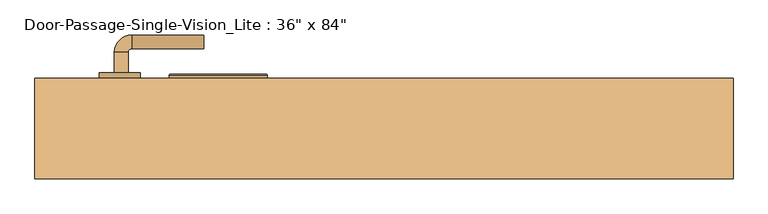
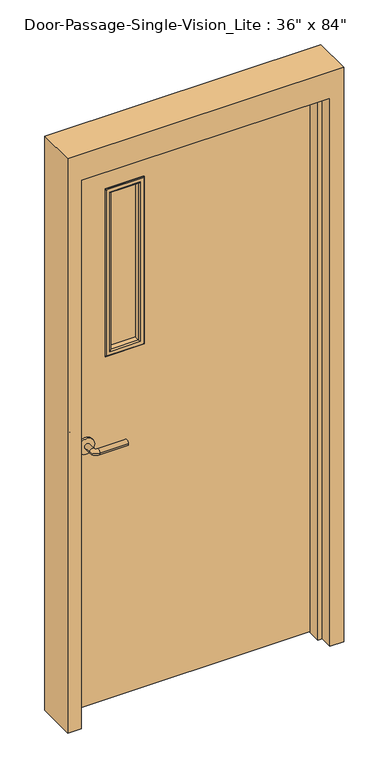
"""IFC4 building model written with IfcOpenShell, lengths in millimetres: door geometry."""

from ifc_helpers import new_model, si_unit, point, frame, frame_2d, origin, place, context, project, spatial, polyline, circle_curve, ellipse_curve, trimmed, segment, composite_curve, outline, extrude, faceted_brep, source, transform, mapped, element, save
from ifc_brep_helpers import plane_surface, cylinder_surface, revolved_surface, advanced_brep


def door_78cb0c65(model_context):
    return source(origin(), model_context, "Body", "SolidModel", [
        advanced_brep(
        [(-392.190625, 25.3375, 1016.0), (-372.190625, 25.3375, 1016.0), (-372.190625, -4.6625, 1016.0), (-392.190625, -4.6625, 1016.0), (-367.190625, -9.6625, 1016.0), (-367.190625, -29.6625, 1016.0), (-262.190625, -29.6625, 1016.0), (-262.190625, -9.6625, 1016.0)],
        [
            (0, 1, circle_curve(frame((-382.190625, 25.3375, 1016.0), z_axis=(0.0, 1.0, 0.0), x_axis=(1.0, 0.0, 0.0)), 10.0)),
            (1, 0, circle_curve(frame((-382.190625, 25.3375, 1016.0), z_axis=(0.0, 1.0, 0.0), x_axis=(1.0, 0.0, 0.0)), 10.0)),
            (1, 2),
            (2, 3, circle_curve(frame((-382.190625, -4.6625, 1016.0), z_axis=(0.0, 1.0, 0.0), x_axis=(1.0, 0.0, 0.0)), 10.0)),
            (3, 0),
            (3, 2, circle_curve(frame((-382.190625, -4.6625, 1016.0), z_axis=(0.0, 1.0, 0.0), x_axis=(1.0, 0.0, 0.0)), 10.0)),
            (4, 5, circle_curve(frame((-367.190625, -19.6625, 1016.0), z_axis=(-1.0, 0.0, 0.0), x_axis=(0.0, 1.0, 0.0)), 10.0)),
            (5, 3, circle_curve(frame((-367.190625, -4.6625, 1016.0), z_axis=(0.0, 0.0, -1.0), x_axis=(-1.0, 0.0, 0.0)), 25.0)),
            (2, 4, circle_curve(frame((-367.190625, -4.6625, 1016.0), z_axis=(0.0, 0.0, 1.0), x_axis=(-1.0, 0.0, 0.0)), 5.0)),
            (5, 4, circle_curve(frame((-367.190625, -19.6625, 1016.0), z_axis=(-1.0, 0.0, 0.0), x_axis=(0.0, 1.0, 0.0)), 10.0)),
            (6, 7, circle_curve(frame((-262.190625, -19.6625, 1016.0), z_axis=(1.0, 0.0, 0.0), x_axis=(0.0, 1.0, 0.0)), 10.0)),
            (7, 6, circle_curve(frame((-262.190625, -19.6625, 1016.0), z_axis=(1.0, 0.0, 0.0), x_axis=(0.0, 1.0, 0.0)), 10.0)),
            (4, 7),
            (6, 5),
        ],
        [
            plane_surface(frame((-382.190625, 25.3375, 1016.0), z_axis=(0.0, 1.0, 0.0), x_axis=(0.0, 0.0, 1.0))),
            cylinder_surface(frame((-382.190625, 25.3375, 1016.0), z_axis=(0.0, 1.0, 0.0), x_axis=(1.0, 0.0, 0.0)), 10.0),
            revolved_surface(trimmed(ellipse_curve(frame((-382.190625, -4.6625, 1016.0), z_axis=(0.0, -1.0, 0.0), x_axis=(1.0, 0.0, 0.0)), 10.0, 10.0), [point((-392.190625, -4.6625, 1016.0))], [point((-372.190625, -4.6625, 1016.0))], True, "CARTESIAN"), (-367.190625, -4.6625, 1016.0), (0.0, 0.0, -1.0)),
            revolved_surface(trimmed(ellipse_curve(frame((-382.190625, -4.6625, 1016.0), z_axis=(0.0, -1.0, 0.0), x_axis=(1.0, 0.0, 0.0)), 10.0, 10.0), [point((-372.190625, -4.6625, 1016.0))], [point((-392.190625, -4.6625, 1016.0))], True, "CARTESIAN"), (-367.190625, -4.6625, 1016.0), (0.0, 0.0, -1.0)),
            plane_surface(frame((-262.190625, -19.6625, 1016.0), z_axis=(1.0, 0.0, 0.0), x_axis=(0.0, 0.0, 1.0))),
            cylinder_surface(frame((-367.190625, -19.6625, 1016.0), z_axis=(-1.0, 0.0, 0.0), x_axis=(0.0, 1.0, 0.0)), 10.0),
        ],
        [
            (0, [[1, 2]]),
            (1, [[3, 4, 5, -2]]),
            (1, [[-5, 6, -3, -1]]),
            (2, [[7, 8, -4, 9]]),
            (3, [[10, -9, -6, -8]]),
            (4, [[11, 12]]),
            (5, [[13, -11, 14, -7]]),
            (5, [[-14, -12, -13, -10]]),
        ],
    ),
        extrude(outline(composite_curve([segment(trimmed(circle_curve(frame_2d((1016.0, -384.690625)), 30.0), [point((1016.0, -414.690625))], [point((1016.0, -354.690625))], False, "CARTESIAN"), True, "CONTINUOUS"), segment(trimmed(circle_curve(frame_2d((1016.0, -384.690625)), 30.0), [point((1016.0, -354.690625))], [point((1016.0, -414.690625))], False, "CARTESIAN"), True, "CONTINUOUS")], self_intersect=False)), frame((0.0, 25.3375, 0.0), z_axis=(0.0, 1.0, 0.0), x_axis=(0.0, 0.0, 1.0)), (0.0, 0.0, 1.0), 8.0),
        advanced_brep(
        [(-392.190625, 85.7875, 1016.0), (-372.190625, 85.7875, 1016.0), (-392.190625, 115.7875, 1016.0), (-372.190625, 115.7875, 1016.0), (-367.190625, 120.7875, 1016.0), (-367.190625, 140.7875, 1016.0), (-262.190625, 140.7875, 1016.0), (-262.190625, 120.7875, 1016.0)],
        [
            (0, 1, circle_curve(frame((-382.190625, 85.7875, 1016.0), z_axis=(0.0, -1.0, 0.0), x_axis=(1.0, 0.0, 0.0)), 10.0)),
            (1, 0, circle_curve(frame((-382.190625, 85.7875, 1016.0), z_axis=(0.0, -1.0, 0.0), x_axis=(1.0, 0.0, 0.0)), 10.0)),
            (0, 2),
            (2, 3, circle_curve(frame((-382.190625, 115.7875, 1016.0), z_axis=(0.0, -1.0, 0.0), x_axis=(1.0, 0.0, 0.0)), 10.0)),
            (3, 1),
            (3, 2, circle_curve(frame((-382.190625, 115.7875, 1016.0), z_axis=(0.0, -1.0, 0.0), x_axis=(1.0, 0.0, 0.0)), 10.0)),
            (4, 3, circle_curve(frame((-367.190625, 115.7875, 1016.0), z_axis=(0.0, 0.0, 1.0), x_axis=(-1.0, 0.0, 0.0)), 5.0)),
            (2, 5, circle_curve(frame((-367.190625, 115.7875, 1016.0), z_axis=(0.0, 0.0, -1.0), x_axis=(-1.0, 0.0, 0.0)), 25.0)),
            (5, 4, circle_curve(frame((-367.190625, 130.7875, 1016.0), z_axis=(-1.0, 0.0, 0.0), x_axis=(0.0, -1.0, 0.0)), 10.0)),
            (4, 5, circle_curve(frame((-367.190625, 130.7875, 1016.0), z_axis=(-1.0, 0.0, 0.0), x_axis=(0.0, -1.0, 0.0)), 10.0)),
            (6, 7, circle_curve(frame((-262.190625, 130.7875, 1016.0), z_axis=(1.0, 0.0, 0.0), x_axis=(0.0, -1.0, 0.0)), 10.0)),
            (7, 6, circle_curve(frame((-262.190625, 130.7875, 1016.0), z_axis=(1.0, 0.0, 0.0), x_axis=(0.0, -1.0, 0.0)), 10.0)),
            (5, 6),
            (7, 4),
        ],
        [
            plane_surface(frame((-382.190625, 85.7875, 1016.0), z_axis=(0.0, -1.0, 0.0), x_axis=(0.0, 0.0, 1.0))),
            cylinder_surface(frame((-382.190625, 85.7875, 1016.0), z_axis=(0.0, -1.0, 0.0), x_axis=(1.0, 0.0, 0.0)), 10.0),
            revolved_surface(trimmed(ellipse_curve(frame((-382.190625, 115.7875, 1016.0), z_axis=(0.0, -1.0, 0.0), x_axis=(1.0, 0.0, 0.0)), 10.0, 10.0), [point((-392.190625, 115.7875, 1016.0))], [point((-372.190625, 115.7875, 1016.0))], True, "CARTESIAN"), (-367.190625, 115.7875, 1016.0), (0.0, 0.0, -1.0)),
            revolved_surface(trimmed(ellipse_curve(frame((-382.190625, 115.7875, 1016.0), z_axis=(0.0, -1.0, 0.0), x_axis=(1.0, 0.0, 0.0)), 10.0, 10.0), [point((-372.190625, 115.7875, 1016.0))], [point((-392.190625, 115.7875, 1016.0))], True, "CARTESIAN"), (-367.190625, 115.7875, 1016.0), (0.0, 0.0, -1.0)),
            plane_surface(frame((-262.190625, 130.7875, 1016.0), z_axis=(1.0, 0.0, 0.0), x_axis=(0.0, 0.0, 1.0))),
            cylinder_surface(frame((-367.190625, 130.7875, 1016.0), z_axis=(-1.0, 0.0, 0.0), x_axis=(0.0, -1.0, 0.0)), 10.0),
        ],
        [
            (0, [[1, 2]]),
            (1, [[-1, 3, 4, 5]]),
            (1, [[-2, -5, 6, -3]]),
            (2, [[7, -4, 8, 9]]),
            (3, [[-8, -6, -7, 10]]),
            (4, [[11, 12]]),
            (5, [[-9, 13, -12, 14]]),
            (5, [[-10, -14, -11, -13]]),
        ],
    ),
        extrude(outline(composite_curve([segment(trimmed(circle_curve(frame_2d((1016.0, -384.690625)), 30.0), [point((1016.0, -414.690625))], [point((1016.0, -354.690625))], False, "CARTESIAN"), True, "CONTINUOUS"), segment(trimmed(circle_curve(frame_2d((1016.0, -384.690625)), 30.0), [point((1016.0, -354.690625))], [point((1016.0, -414.690625))], False, "CARTESIAN"), True, "CONTINUOUS")], self_intersect=False)), frame((0.0, 77.7875, 0.0), z_axis=(0.0, 1.0, 0.0), x_axis=(0.0, 0.0, 1.0)), (0.0, 0.0, 1.0), 8.0),
        faceted_brep([(457.2, 28.575, 0.0), (457.2, 77.7875, 0.0), (508.0, 77.7875, 0.0), (508.0, -68.2625, 0.0), (457.2, -68.2625, 0.0), (457.2, -19.05, 0.0), (441.325, -19.05, 0.0), (441.325, 28.575, 0.0), (457.2, 28.575, 2133.6), (457.2, 77.7875, 2133.6), (-457.2, 77.7875, 2133.6), (-457.2, 77.7875, 0.0), (-508.0, 77.7875, 0.0), (-508.0, 77.7875, 2235.2), (508.0, 77.7875, 2235.2), (508.0, -68.2625, 2235.2), (-508.0, -68.2625, 2235.2), (-508.0, -68.2625, 0.0), (-457.2, -68.2625, 0.0), (-457.2, -68.2625, 2133.6), (457.2, -68.2625, 2133.6), (457.2, -19.05, 2133.6), (-457.2, -19.05, 2133.6), (-457.2, -19.05, 0.0), (-441.325, -19.05, 0.0), (-441.325, -19.05, 2117.725), (441.325, -19.05, 2117.725), (441.325, 28.575, 2117.725), (-441.325, 28.575, 2117.725), (-441.325, 28.575, 0.0), (-457.2, 28.575, 0.0), (-457.2, 28.575, 2133.6)], [[[0, 1, 2, 3, 4, 5, 6, 7]], [[1, 0, 8, 9]], [[2, 1, 9, 10, 11, 12, 13, 14]], [[3, 2, 14, 15]], [[4, 3, 15, 16, 17, 18, 19, 20]], [[5, 4, 20, 21]], [[6, 5, 21, 22, 23, 24, 25, 26]], [[7, 6, 26, 27]], [[0, 7, 27, 28, 29, 30, 31, 8]], [[9, 8, 31, 10]], [[20, 19, 22, 21]], [[26, 25, 28, 27]], [[12, 11, 30, 29, 24, 23, 18, 17]], [[11, 10, 31, 30]], [[13, 12, 17, 16]], [[19, 18, 23, 22]], [[25, 24, 29, 28]], [[15, 14, 13, 16]]]),
        extrude(outline(polyline([(2133.6, -457.2), (0.0, -457.2), (0.0, 457.2), (2133.6, 457.2), (2133.6, -457.2)]), holes=[polyline([(1981.2, -304.8), (1981.2, -177.8), (1346.2, -177.8), (1346.2, -304.8), (1981.2, -304.8)])]), frame((0.0, 33.3375, 0.0), z_axis=(0.0, 1.0, 0.0), x_axis=(0.0, 0.0, 1.0)), (0.0, 0.0, 1.0), 44.45),
        extrude(outline(polyline([(-177.8, 52.3875), (-304.8, 52.3875), (-304.8, 58.7375), (-177.8, 58.7375), (-177.8, 52.3875)])), frame((0.0, 0.0, 1346.2), z_axis=(0.0, 0.0, 1.0), x_axis=(1.0, 0.0, 0.0)), (0.0, 0.0, 1.0), 635.0),
        advanced_brep(
        [(-304.8, 52.3875, 1346.2), (-304.8, 33.3375, 1346.2), (-304.8, 33.3375, 1981.2), (-304.8, 52.3875, 1981.2), (-292.8, 32.3375, 1358.2), (-292.8, 52.3875, 1358.2), (-292.8, 52.3875, 1969.2), (-292.8, 32.3375, 1969.2), (-297.8, 27.3375, 1353.2), (-297.8, 27.3375, 1974.2), (-312.8, 29.3375, 1338.2), (-310.8, 27.3375, 1340.2), (-310.8, 27.3375, 1987.2), (-312.8, 29.3375, 1989.2), (-312.8, 33.3375, 1338.2), (-312.8, 33.3375, 1989.2), (-177.8, 33.3375, 1981.2), (-177.8, 52.3875, 1981.2), (-189.8, 52.3875, 1969.2), (-189.8, 32.3375, 1969.2), (-184.8, 27.3375, 1974.2), (-171.8, 27.3375, 1987.2), (-169.8, 29.3375, 1989.2), (-169.8, 33.3375, 1989.2), (-177.8, 33.3375, 1346.2), (-177.8, 52.3875, 1346.2), (-189.8, 52.3875, 1358.2), (-189.8, 32.3375, 1358.2), (-184.8, 27.3375, 1353.2), (-171.8, 27.3375, 1340.2), (-169.8, 29.3375, 1338.2), (-169.8, 33.3375, 1338.2)],
        [
            (0, 1),
            (1, 2),
            (2, 3),
            (3, 0),
            (4, 5),
            (5, 6),
            (6, 7),
            (7, 4),
            (8, 4, ellipse_curve(frame((-297.8, 32.3375, 1353.2), z_axis=(-0.7071067811865475, 0.0, 0.7071067811865475), x_axis=(-0.7071067811865474, 0.0, -0.7071067811865476)), 7.0710678, 5.0)),
            (7, 9, ellipse_curve(frame((-297.8, 32.3375, 1974.2), z_axis=(-0.7071067811865475, 0.0, -0.7071067811865475), x_axis=(0.7071067811865474, 0.0, -0.7071067811865476)), 7.0710678, 5.0)),
            (9, 8),
            (10, 11, ellipse_curve(frame((-310.8, 29.3375, 1340.2), z_axis=(-0.7071067811865475, 0.0, 0.7071067811865475), x_axis=(-0.7071067811865474, 0.0, -0.7071067811865476)), 2.8284271, 2.0)),
            (11, 12),
            (12, 13, ellipse_curve(frame((-310.8, 29.3375, 1987.2), z_axis=(-0.7071067811865475, 0.0, -0.7071067811865475), x_axis=(0.7071067811865474, 0.0, -0.7071067811865476)), 2.8284271, 2.0)),
            (13, 10),
            (14, 10),
            (13, 15),
            (15, 14),
            (2, 16),
            (16, 17),
            (17, 3),
            (6, 18),
            (18, 19),
            (19, 7),
            (19, 20, ellipse_curve(frame((-184.8, 32.3375, 1974.2), z_axis=(-0.7071067811865475, 0.0, 0.7071067811865475), x_axis=(-0.7071067811865476, 0.0, -0.7071067811865474)), 7.0710678, 5.0)),
            (20, 9),
            (12, 21),
            (21, 22, ellipse_curve(frame((-171.8, 29.3375, 1987.2), z_axis=(-0.7071067811865475, 0.0, 0.7071067811865475), x_axis=(-0.7071067811865476, 0.0, -0.7071067811865474)), 2.8284271, 2.0)),
            (22, 13),
            (22, 23),
            (23, 15),
            (16, 24),
            (24, 25),
            (25, 17),
            (18, 26),
            (26, 27),
            (27, 19),
            (27, 28, ellipse_curve(frame((-184.8, 32.3375, 1353.2), z_axis=(0.7071067811865475, 0.0, 0.7071067811865475), x_axis=(-0.7071067811865474, 0.0, 0.7071067811865476)), 7.0710678, 5.0)),
            (28, 20),
            (21, 29),
            (29, 30, ellipse_curve(frame((-171.8, 29.3375, 1340.2), z_axis=(0.7071067811865475, 0.0, 0.7071067811865475), x_axis=(-0.7071067811865474, 0.0, 0.7071067811865476)), 2.8284271, 2.0)),
            (30, 22),
            (30, 31),
            (31, 23),
            (31, 14),
            (1, 24),
            (0, 25),
            (5, 26),
            (4, 27),
            (8, 28),
            (11, 29),
            (10, 30),
        ],
        [
            plane_surface(frame((-304.8, 33.3375, 1346.2), z_axis=(-1.0, 0.0, 0.0), x_axis=(0.0, 0.0, 1.0))),
            plane_surface(frame((-292.8, 52.3875, 1358.2), z_axis=(1.0, 0.0, 0.0), x_axis=(0.0, 0.0, 1.0))),
            cylinder_surface(frame((-297.8, 32.3375, 1346.2), z_axis=(0.0, 0.0, -1.0), x_axis=(-1.0, 0.0, 0.0)), 5.0),
            cylinder_surface(frame((-310.8, 29.3375, 1346.2), z_axis=(0.0, 0.0, -1.0), x_axis=(-1.0, 0.0, 0.0)), 2.0),
            plane_surface(frame((-312.8, 29.3375, 1338.2), z_axis=(-1.0, 0.0, 0.0), x_axis=(0.0, 0.0, 1.0))),
            plane_surface(frame((-304.8, 33.3375, 1981.2), z_axis=(0.0, 0.0, 1.0), x_axis=(1.0, 0.0, 0.0))),
            plane_surface(frame((-292.8, 52.3875, 1969.2), z_axis=(0.0, 0.0, -1.0), x_axis=(1.0, 0.0, 0.0))),
            cylinder_surface(frame((-304.8, 32.3375, 1974.2), z_axis=(-1.0, 0.0, 0.0), x_axis=(0.0, 0.0, 1.0)), 5.0),
            cylinder_surface(frame((-304.8, 29.3375, 1987.2), z_axis=(-1.0, 0.0, 0.0), x_axis=(0.0, 0.0, 1.0)), 2.0),
            plane_surface(frame((-312.8, 29.3375, 1989.2), z_axis=(0.0, 0.0, 1.0), x_axis=(1.0, 0.0, 0.0))),
            plane_surface(frame((-177.8, 33.3375, 1981.2), z_axis=(1.0, 0.0, 0.0), x_axis=(0.0, 0.0, -1.0))),
            plane_surface(frame((-189.8, 52.3875, 1969.2), z_axis=(-1.0, 0.0, 0.0), x_axis=(0.0, 0.0, -1.0))),
            cylinder_surface(frame((-184.8, 32.3375, 1981.2), z_axis=(0.0, 0.0, 1.0), x_axis=(1.0, 0.0, 0.0)), 5.0),
            cylinder_surface(frame((-171.8, 29.3375, 1981.2), z_axis=(0.0, 0.0, 1.0), x_axis=(1.0, 0.0, 0.0)), 2.0),
            plane_surface(frame((-169.8, 29.3375, 1989.2), z_axis=(1.0, 0.0, 0.0), x_axis=(0.0, 0.0, -1.0))),
            plane_surface(frame((-169.8, 33.3375, 1338.2), z_axis=(0.0, 1.0, 0.0), x_axis=(-1.0, 0.0, 0.0))),
            plane_surface(frame((-177.8, 33.3375, 1346.2), z_axis=(0.0, 0.0, -1.0), x_axis=(-1.0, 0.0, 0.0))),
            plane_surface(frame((-177.8, 52.3875, 1346.2), z_axis=(0.0, 1.0, 0.0), x_axis=(-1.0, 0.0, 0.0))),
            plane_surface(frame((-189.8, 52.3875, 1358.2), z_axis=(0.0, 0.0, 1.0), x_axis=(-1.0, 0.0, 0.0))),
            cylinder_surface(frame((-177.8, 32.3375, 1353.2), z_axis=(1.0, 0.0, 0.0), x_axis=(0.0, 0.0, -1.0)), 5.0),
            plane_surface(frame((-184.8, 27.3375, 1353.2), z_axis=(0.0, -1.0, 0.0), x_axis=(-1.0, 0.0, 0.0))),
            cylinder_surface(frame((-177.8, 29.3375, 1340.2), z_axis=(1.0, 0.0, 0.0), x_axis=(0.0, 0.0, -1.0)), 2.0),
            plane_surface(frame((-169.8, 29.3375, 1338.2), z_axis=(0.0, 0.0, -1.0), x_axis=(-1.0, 0.0, 0.0))),
        ],
        [
            (0, [[1, 2, 3, 4]]),
            (1, [[5, 6, 7, 8]]),
            (2, [[9, -8, 10, 11]]),
            (3, [[12, 13, 14, 15]]),
            (4, [[16, -15, 17, 18]]),
            (5, [[-3, 19, 20, 21]]),
            (6, [[-7, 22, 23, 24]]),
            (7, [[-10, -24, 25, 26]]),
            (8, [[-14, 27, 28, 29]]),
            (9, [[-17, -29, 30, 31]]),
            (10, [[-20, 32, 33, 34]]),
            (11, [[-23, 35, 36, 37]]),
            (12, [[-25, -37, 38, 39]]),
            (13, [[-28, 40, 41, 42]]),
            (14, [[-30, -42, 43, 44]]),
            (15, [[-31, -44, 45, -18], [46, -32, -19, -2]]),
            (16, [[-33, -46, -1, 47]]),
            (17, [[-21, -34, -47, -4], [48, -35, -22, -6]]),
            (18, [[-36, -48, -5, 49]]),
            (19, [[-38, -49, -9, 50]]),
            (20, [[51, -40, -27, -13], [-26, -39, -50, -11]]),
            (21, [[-41, -51, -12, 52]]),
            (22, [[-43, -52, -16, -45]]),
        ],
    ),
        advanced_brep(
        [(-304.8, 58.7375, 1981.2), (-304.8, 77.7875, 1981.2), (-304.8, 77.7875, 1346.2), (-304.8, 58.7375, 1346.2), (-292.8, 78.7875, 1969.2), (-292.8, 58.7375, 1969.2), (-292.8, 58.7375, 1358.2), (-292.8, 78.7875, 1358.2), (-297.8, 83.7875, 1974.2), (-297.8, 83.7875, 1353.2), (-312.8, 81.7875, 1989.2), (-310.8, 83.7875, 1987.2), (-310.8, 83.7875, 1340.2), (-312.8, 81.7875, 1338.2), (-312.8, 77.7875, 1989.2), (-312.8, 77.7875, 1338.2), (-177.8, 77.7875, 1346.2), (-177.8, 58.7375, 1346.2), (-189.8, 58.7375, 1358.2), (-189.8, 78.7875, 1358.2), (-184.8, 83.7875, 1353.2), (-171.8, 83.7875, 1340.2), (-169.8, 81.7875, 1338.2), (-169.8, 77.7875, 1338.2), (-177.8, 77.7875, 1981.2), (-177.8, 58.7375, 1981.2), (-189.8, 58.7375, 1969.2), (-189.8, 78.7875, 1969.2), (-184.8, 83.7875, 1974.2), (-171.8, 83.7875, 1987.2), (-169.8, 81.7875, 1989.2), (-169.8, 77.7875, 1989.2)],
        [
            (0, 1),
            (1, 2),
            (2, 3),
            (3, 0),
            (4, 5),
            (5, 6),
            (6, 7),
            (7, 4),
            (8, 4, ellipse_curve(frame((-297.8, 78.7875, 1974.2), z_axis=(-0.7071067811865475, 0.0, -0.7071067811865475), x_axis=(-0.7071067811865474, 0.0, 0.7071067811865476)), 7.0710678, 5.0)),
            (7, 9, ellipse_curve(frame((-297.8, 78.7875, 1353.2), z_axis=(-0.7071067811865475, 0.0, 0.7071067811865475), x_axis=(0.7071067811865474, 0.0, 0.7071067811865476)), 7.0710678, 5.0)),
            (9, 8),
            (10, 11, ellipse_curve(frame((-310.8, 81.7875, 1987.2), z_axis=(-0.7071067811865475, 0.0, -0.7071067811865475), x_axis=(-0.7071067811865474, 0.0, 0.7071067811865476)), 2.8284271, 2.0)),
            (11, 12),
            (12, 13, ellipse_curve(frame((-310.8, 81.7875, 1340.2), z_axis=(-0.7071067811865475, 0.0, 0.7071067811865475), x_axis=(0.7071067811865474, 0.0, 0.7071067811865476)), 2.8284271, 2.0)),
            (13, 10),
            (14, 10),
            (13, 15),
            (15, 14),
            (2, 16),
            (16, 17),
            (17, 3),
            (6, 18),
            (18, 19),
            (19, 7),
            (19, 20, ellipse_curve(frame((-184.8, 78.7875, 1353.2), z_axis=(-0.7071067811865475, 0.0, -0.7071067811865475), x_axis=(-0.7071067811865476, 0.0, 0.7071067811865474)), 7.0710678, 5.0)),
            (20, 9),
            (12, 21),
            (21, 22, ellipse_curve(frame((-171.8, 81.7875, 1340.2), z_axis=(-0.7071067811865475, 0.0, -0.7071067811865475), x_axis=(-0.7071067811865476, 0.0, 0.7071067811865474)), 2.8284271, 2.0)),
            (22, 13),
            (22, 23),
            (23, 15),
            (16, 24),
            (24, 25),
            (25, 17),
            (18, 26),
            (26, 27),
            (27, 19),
            (27, 28, ellipse_curve(frame((-184.8, 78.7875, 1974.2), z_axis=(0.7071067811865475, 0.0, -0.7071067811865475), x_axis=(-0.7071067811865474, 0.0, -0.7071067811865476)), 7.0710678, 5.0)),
            (28, 20),
            (21, 29),
            (29, 30, ellipse_curve(frame((-171.8, 81.7875, 1987.2), z_axis=(0.7071067811865475, 0.0, -0.7071067811865475), x_axis=(-0.7071067811865474, 0.0, -0.7071067811865476)), 2.8284271, 2.0)),
            (30, 22),
            (30, 31),
            (31, 23),
            (31, 14),
            (1, 24),
            (0, 25),
            (5, 26),
            (4, 27),
            (8, 28),
            (11, 29),
            (10, 30),
        ],
        [
            plane_surface(frame((-304.8, 77.7875, 1981.2), z_axis=(-1.0, 0.0, 0.0), x_axis=(0.0, 0.0, -1.0))),
            plane_surface(frame((-292.8, 58.7375, 1969.2), z_axis=(1.0, 0.0, 0.0), x_axis=(0.0, 0.0, -1.0))),
            cylinder_surface(frame((-297.8, 78.7875, 1981.2), z_axis=(0.0, 0.0, 1.0), x_axis=(-1.0, 0.0, 0.0)), 5.0),
            cylinder_surface(frame((-310.8, 81.7875, 1981.2), z_axis=(0.0, 0.0, 1.0), x_axis=(-1.0, 0.0, 0.0)), 2.0),
            plane_surface(frame((-312.8, 81.7875, 1989.2), z_axis=(-1.0, 0.0, 0.0), x_axis=(0.0, 0.0, -1.0))),
            plane_surface(frame((-304.8, 77.7875, 1346.2), z_axis=(0.0, 0.0, -1.0), x_axis=(1.0, 0.0, 0.0))),
            plane_surface(frame((-292.8, 58.7375, 1358.2), z_axis=(0.0, 0.0, 1.0), x_axis=(1.0, 0.0, 0.0))),
            cylinder_surface(frame((-304.8, 78.7875, 1353.2), z_axis=(-1.0, 0.0, 0.0), x_axis=(0.0, 0.0, -1.0)), 5.0),
            cylinder_surface(frame((-304.8, 81.7875, 1340.2), z_axis=(-1.0, 0.0, 0.0), x_axis=(0.0, 0.0, -1.0)), 2.0),
            plane_surface(frame((-312.8, 81.7875, 1338.2), z_axis=(0.0, 0.0, -1.0), x_axis=(1.0, 0.0, 0.0))),
            plane_surface(frame((-177.8, 77.7875, 1346.2), z_axis=(1.0, 0.0, 0.0), x_axis=(0.0, 0.0, 1.0))),
            plane_surface(frame((-189.8, 58.7375, 1358.2), z_axis=(-1.0, 0.0, 0.0), x_axis=(0.0, 0.0, 1.0))),
            cylinder_surface(frame((-184.8, 78.7875, 1346.2), z_axis=(0.0, 0.0, -1.0), x_axis=(1.0, 0.0, 0.0)), 5.0),
            cylinder_surface(frame((-171.8, 81.7875, 1346.2), z_axis=(0.0, 0.0, -1.0), x_axis=(1.0, 0.0, 0.0)), 2.0),
            plane_surface(frame((-169.8, 81.7875, 1338.2), z_axis=(1.0, 0.0, 0.0), x_axis=(0.0, 0.0, 1.0))),
            plane_surface(frame((-169.8, 77.7875, 1989.2), z_axis=(0.0, -1.0, 0.0), x_axis=(-1.0, 0.0, 0.0))),
            plane_surface(frame((-177.8, 77.7875, 1981.2), z_axis=(0.0, 0.0, 1.0), x_axis=(-1.0, 0.0, 0.0))),
            plane_surface(frame((-177.8, 58.7375, 1981.2), z_axis=(0.0, -1.0, 0.0), x_axis=(-1.0, 0.0, 0.0))),
            plane_surface(frame((-189.8, 58.7375, 1969.2), z_axis=(0.0, 0.0, -1.0), x_axis=(-1.0, 0.0, 0.0))),
            cylinder_surface(frame((-177.8, 78.7875, 1974.2), z_axis=(1.0, 0.0, 0.0), x_axis=(0.0, 0.0, 1.0)), 5.0),
            plane_surface(frame((-184.8, 83.7875, 1974.2), z_axis=(0.0, 1.0, 0.0), x_axis=(-1.0, 0.0, 0.0))),
            cylinder_surface(frame((-177.8, 81.7875, 1987.2), z_axis=(1.0, 0.0, 0.0), x_axis=(0.0, 0.0, 1.0)), 2.0),
            plane_surface(frame((-169.8, 81.7875, 1989.2), z_axis=(0.0, 0.0, 1.0), x_axis=(-1.0, 0.0, 0.0))),
        ],
        [
            (0, [[1, 2, 3, 4]]),
            (1, [[5, 6, 7, 8]]),
            (2, [[9, -8, 10, 11]]),
            (3, [[12, 13, 14, 15]]),
            (4, [[16, -15, 17, 18]]),
            (5, [[-3, 19, 20, 21]]),
            (6, [[-7, 22, 23, 24]]),
            (7, [[-10, -24, 25, 26]]),
            (8, [[-14, 27, 28, 29]]),
            (9, [[-17, -29, 30, 31]]),
            (10, [[-20, 32, 33, 34]]),
            (11, [[-23, 35, 36, 37]]),
            (12, [[-25, -37, 38, 39]]),
            (13, [[-28, 40, 41, 42]]),
            (14, [[-30, -42, 43, 44]]),
            (15, [[-31, -44, 45, -18], [46, -32, -19, -2]]),
            (16, [[-33, -46, -1, 47]]),
            (17, [[-21, -34, -47, -4], [48, -35, -22, -6]]),
            (18, [[-36, -48, -5, 49]]),
            (19, [[-38, -49, -9, 50]]),
            (20, [[51, -40, -27, -13], [-26, -39, -50, -11]]),
            (21, [[-41, -51, -12, 52]]),
            (22, [[-43, -52, -16, -45]]),
        ],
    ),
    ])


if __name__ == "__main__":
    model = new_model("IFC4")
    model_context = context("Model", 3, world=origin())
    ifc_project = project(units=[si_unit("LENGTHUNIT", "METRE", prefix="MILLI")], contexts=[model_context])
    site = spatial("IfcSite", under=ifc_project)
    building = spatial("IfcBuilding", under=site)
    placement = place(None, origin())
    door_shape = door_78cb0c65(model_context)
    element("IfcDoor", 1, ObjectType="Door-Passage-Single-Vision_Lite : 36\" x 84\"", at=placement, inside=building, context=model_context, shape_type="MappedRepresentation", body=[
        mapped(door_shape, transform((0.0, 0.0, 0.0), x_axis=(1.0, 0.0, 0.0), y_axis=(0.0, 1.0, 0.0), z_axis=(0.0, 0.0, 1.0))),
    ])
    save(model, "model.ifc")
